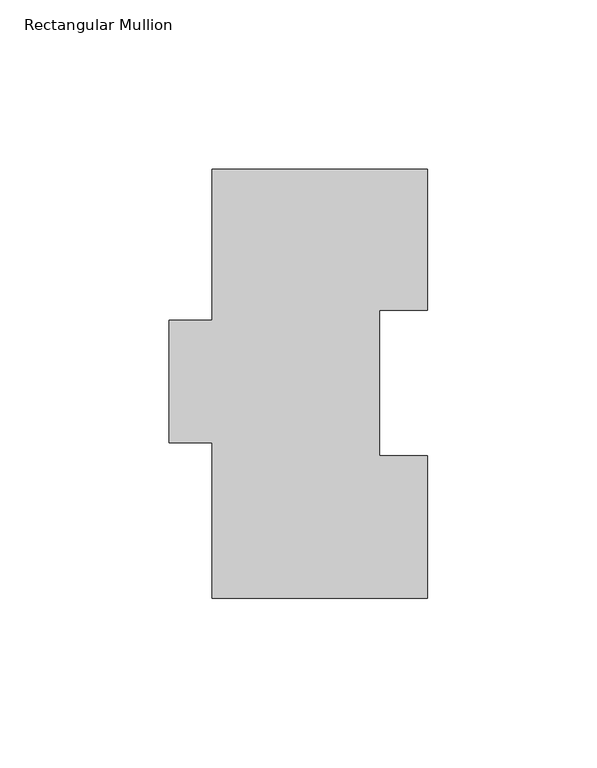
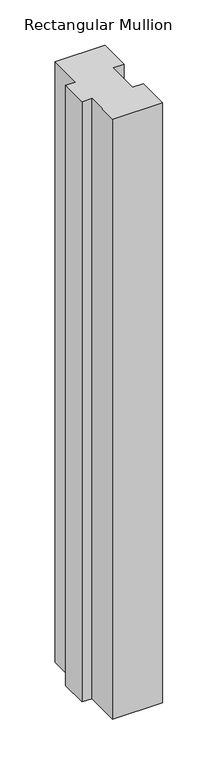
"""IFC4 building model written with IfcOpenShell, lengths in millimetres: member geometry, Rectangular Mullion."""

from ifc_helpers import new_model, si_unit, frame, origin, place, context, project, spatial, polyline, outline, extrude, source, transform, mapped, element, save


def rectangular_mullion_dcc1d12d(model_context):
    return source(origin(), model_context, "Body", "SweptSolid", [
        extrude(outline(polyline([(0.0, 126.7348875), (0.0, 85.1296875), (-14.1590561, 85.1296875), (-14.1590561, 42.2798875), (0.0, 42.2798875), (0.0, 0.2428875), (-63.5, 0.2428875), (-63.5, 46.0263875), (-76.2, 46.0263875), (-76.2, 82.2848875), (-63.5, 82.2848875), (-63.5, 126.7348875), (0.0, 126.7348875)])), frame((0.0, 0.0, -806.45), z_axis=(0.0, 0.0, 1.0), x_axis=(1.0, 0.0, 0.0)), (0.0, 0.0, 1.0), 806.45),
    ])


if __name__ == "__main__":
    model = new_model("IFC4")
    model_context = context("Model", 3, world=origin())
    ifc_project = project(units=[si_unit("LENGTHUNIT", "METRE", prefix="MILLI")], contexts=[model_context])
    site = spatial("IfcSite", under=ifc_project)
    building = spatial("IfcBuilding", under=site)
    placement = place(None, origin())
    rectangular_mullion_shape = rectangular_mullion_dcc1d12d(model_context)
    element("IfcMember", 1, ObjectType="Rectangular Mullion", at=placement, inside=building, context=model_context, shape_type="MappedRepresentation", body=[
        mapped(rectangular_mullion_shape, transform((0.0, 0.0, 0.0), x_axis=(1.0, 0.0, 0.0), y_axis=(0.0, 1.0, 0.0), z_axis=(0.0, 0.0, 1.0))),
    ])
    save(model, "model.ifc")
